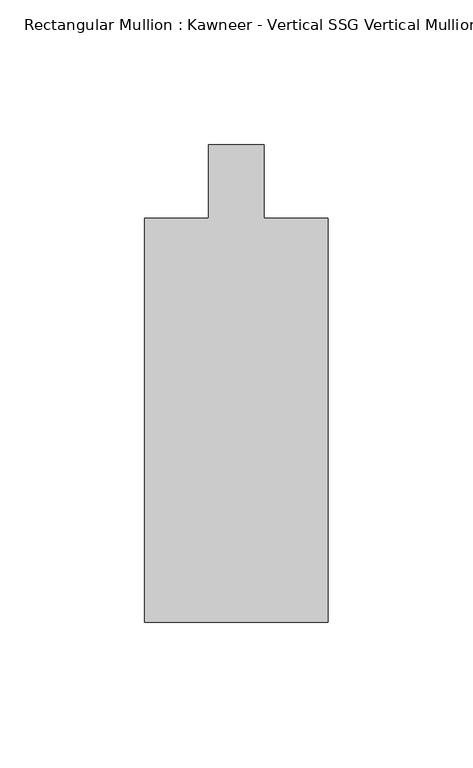
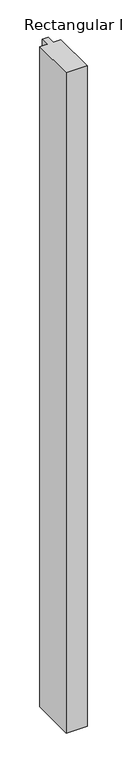
"""IFC4 building model written with IfcOpenShell, lengths in millimetres: member geometry."""

from ifc_helpers import new_model, si_unit, frame, origin, place, context, project, spatial, polyline, outline, extrude, source, transform, mapped, element, save


def member_cef20d3c(model_context):
    return source(origin(), model_context, "Body", "SweptSolid", [
        extrude(outline(polyline([(-31.75, -12.7), (-9.5251132, -12.7), (-9.5251132, 12.7), (9.5251132, 12.7), (9.5251132, -12.7), (31.75, -12.7), (31.75, -152.399995), (-31.75, -152.399995), (-31.75, -12.7)])), frame((0.0, 0.0, -2127.1426863), z_axis=(0.0, 0.0, 1.0), x_axis=(1.0, 0.0, 0.0)), (0.0, 0.0, 1.0), 2127.1426863),
    ])


if __name__ == "__main__":
    model = new_model("IFC4")
    model_context = context("Model", 3, world=origin())
    ifc_project = project(units=[si_unit("LENGTHUNIT", "METRE", prefix="MILLI")], contexts=[model_context])
    site = spatial("IfcSite", under=ifc_project)
    building = spatial("IfcBuilding", under=site)
    placement = place(None, origin())
    member_shape = member_cef20d3c(model_context)
    element("IfcMember", 1, ObjectType="Rectangular Mullion : Kawneer - Vertical SSG Vertical Mullion - 7 1/2\"", at=placement, inside=building, context=model_context, shape_type="MappedRepresentation", body=[
        mapped(member_shape, transform((0.0, 0.0, 0.0), x_axis=(1.0, 0.0, 0.0), y_axis=(0.0, 1.0, 0.0), z_axis=(0.0, 0.0, 1.0))),
    ])
    save(model, "model.ifc")
